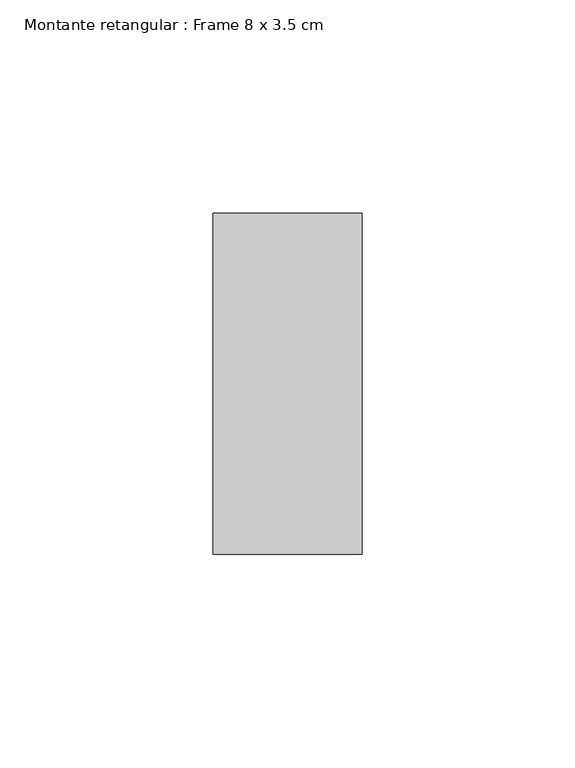
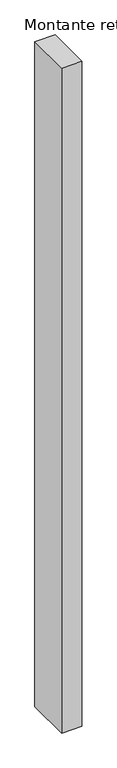
"""IFC4 building model written with IfcOpenShell, lengths in millimetres: member geometry, Montante retangular : Frame 8 x 3.5 cm."""

from ifc_helpers import new_model, si_unit, frame, origin, place, context, project, spatial, polyline, outline, extrude, source, transform, mapped, element, save


def montante_retangular_frame_8_x_3_5_cm_d4066a0a(model_context):
    return source(origin(), model_context, "Body", "SweptSolid", [
        extrude(outline(polyline([(17.5, 40.0), (17.5, -40.0), (-17.5, -40.0), (-17.5, 40.0), (17.5, 40.0)])), frame((0.0, 0.0, -1217.5), z_axis=(0.0, 0.0, 1.0), x_axis=(1.0, 0.0, 0.0)), (0.0, 0.0, 1.0), 1217.5),
    ])


if __name__ == "__main__":
    model = new_model("IFC4")
    model_context = context("Model", 3, world=origin())
    ifc_project = project(units=[si_unit("LENGTHUNIT", "METRE", prefix="MILLI")], contexts=[model_context])
    site = spatial("IfcSite", under=ifc_project)
    building = spatial("IfcBuilding", under=site)
    placement = place(None, origin())
    montante_retangular_frame_8_x_3_5_cm_shape = montante_retangular_frame_8_x_3_5_cm_d4066a0a(model_context)
    element("IfcMember", 1, ObjectType="Montante retangular : Frame 8 x 3.5 cm", at=placement, inside=building, context=model_context, shape_type="MappedRepresentation", body=[
        mapped(montante_retangular_frame_8_x_3_5_cm_shape, transform((0.0, 0.0, 0.0), x_axis=(1.0, 0.0, 0.0), y_axis=(0.0, 1.0, 0.0), z_axis=(0.0, 0.0, 1.0))),
    ])
    save(model, "model.ifc")
